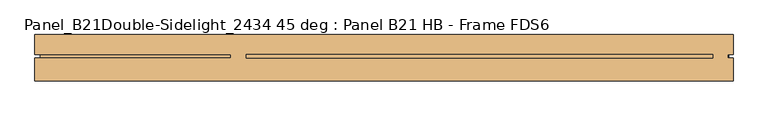
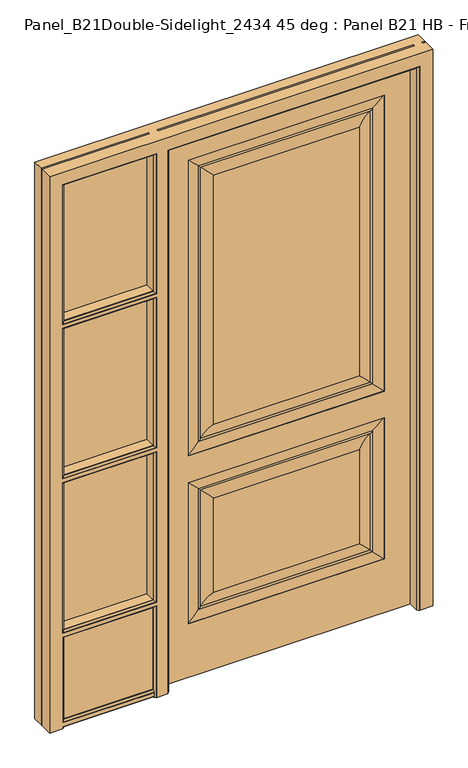
"""IFC4 building model written with IfcOpenShell, lengths in millimetres: door geometry, Panel_B21Double-Sidelight_2434 45 deg : Panel B21 HB - Frame FDS6."""

from ifc_helpers import new_model, si_unit, frame, origin, place, context, project, spatial, polyline, circle_curve, ellipse_curve, outline, extrude, source, transform, mapped, element, save
from ifc_brep_helpers import plane_surface, cylinder_surface, revolved_surface, advanced_brep


def panel_b21double_sidelight_2434_45_deg_panel_b21_hb_frame_6d8fb3b8(model_context):
    return source(origin(), model_context, "Body", "SolidModel", [
        advanced_brep(
        [(447.0, 0.0, 2035.8), (447.0, 44.45, 2035.8), (-447.0, 44.45, 2035.8), (-447.0, 0.0, 2035.8), (447.0, 0.0, 0.0), (-447.0, 0.0, 0.0), (-447.0, 44.45, 0.0), (447.0, 44.45, 0.0), (347.0, 0.0, 200.0), (-347.0, 0.0, 200.0), (-347.0, 0.0, 728.6), (347.0, 0.0, 728.6), (347.0, 0.0, 828.6), (-347.0, 0.0, 828.6), (-347.0, 0.0, 1935.8), (347.0, 0.0, 1935.8), (258.636302, 0.0, 640.236302), (-258.636302, 0.0, 640.236302), (-258.636302, 0.0, 288.363698), (258.636302, 0.0, 288.363698), (258.636302, 0.0, 1847.436302), (-258.636302, 0.0, 1847.436302), (-258.636302, 0.0, 916.963698), (258.636302, 0.0, 916.963698), (347.0, 1.0183566, 200.0), (347.0, 1.0183566, 728.6), (301.3336102, 6.6315511, 682.9336102), (301.3336102, 6.6315511, 245.6663898), (308.7657406, 4.9144196, 238.2342594), (308.7657406, 4.9144196, 690.3657406), (-347.0, 1.0183566, 200.0), (-301.3336102, 6.6315511, 245.6663898), (-308.7657406, 4.9144196, 238.2342594), (-347.0, 1.0183566, 728.6), (-301.3336102, 6.6315511, 682.9336102), (-308.7657406, 4.9144196, 690.3657406), (347.0, 1.0183566, 828.6), (347.0, 1.0183566, 1935.8), (301.3336102, 6.6315511, 1890.1336102), (301.3336102, 6.6315511, 874.2663898), (308.7657406, 4.9144196, 866.8342594), (308.7657406, 4.9144196, 1897.5657406), (-347.0, 1.0183566, 828.6), (-301.3336102, 6.6315511, 874.2663898), (-308.7657406, 4.9144196, 866.8342594), (-347.0, 1.0183566, 1935.8), (-301.3336102, 6.6315511, 1890.1336102), (-308.7657406, 4.9144196, 1897.5657406)],
        [
            (0, 1),
            (1, 2),
            (2, 3),
            (3, 0),
            (4, 5),
            (5, 6),
            (6, 7),
            (7, 4),
            (3, 5),
            (4, 0),
            (8, 9),
            (9, 10),
            (10, 11),
            (11, 8),
            (12, 13),
            (13, 14),
            (14, 15),
            (15, 12),
            (16, 17),
            (17, 18),
            (18, 19),
            (19, 16),
            (20, 21),
            (21, 22),
            (22, 23),
            (23, 20),
            (2, 6),
            (1, 7),
            (24, 8),
            (11, 25),
            (25, 24),
            (26, 16, ellipse_curve(frame((292.3362017, -76.2078428, 673.9362017), z_axis=(-0.7071067811865475, 0.0, 0.7071067811865475), x_axis=(0.7071067811865474, 0.0, 0.7071067811865476)), 117.8415763, 83.3265777)),
            (19, 27, ellipse_curve(frame((292.3362017, -76.2078428, 254.6637983), z_axis=(-0.7071067811865475, 0.0, -0.7071067811865475), x_axis=(-0.7071067811865474, 0.0, 0.7071067811865476)), 117.8415763, 83.3265777)),
            (27, 26),
            (27, 28, ellipse_curve(frame((305.2915169, 6.8197298, 241.7084831), z_axis=(0.7071067811865475, 0.0, 0.7071067811865475), x_axis=(0.7071067811865474, 0.0, -0.7071067811865476)), 5.6036483, 3.9623777)),
            (28, 29),
            (29, 26, ellipse_curve(frame((305.2915169, 6.8197298, 686.8915169), z_axis=(0.7071067811865475, 0.0, -0.7071067811865475), x_axis=(-0.7071067811865474, 0.0, -0.7071067811865476)), 5.6036483, 3.9623777)),
            (25, 29, ellipse_curve(frame((340.2777904, 124.6047169, 721.8777904), z_axis=(0.7071067811865475, 0.0, -0.7071067811865475), x_axis=(-0.7071067811865474, 0.0, -0.7071067811865476)), 175.0358624, 123.7690453)),
            (28, 24, ellipse_curve(frame((340.2777904, 124.6047169, 206.7222096), z_axis=(0.7071067811865475, 0.0, 0.7071067811865475), x_axis=(0.7071067811865474, 0.0, -0.7071067811865476)), 175.0358624, 123.7690453)),
            (30, 9),
            (24, 30),
            (18, 31, ellipse_curve(frame((-292.3362017, -76.2078428, 254.6637983), z_axis=(-0.7071067811865475, 0.0, 0.7071067811865475), x_axis=(0.7071067811865476, 0.0, 0.7071067811865474)), 117.8415763, 83.3265777)),
            (31, 27),
            (31, 32, ellipse_curve(frame((-305.2915169, 6.8197298, 241.7084831), z_axis=(0.7071067811865475, 0.0, -0.7071067811865475), x_axis=(-0.7071067811865476, 0.0, -0.7071067811865474)), 5.6036483, 3.9623777)),
            (32, 28),
            (32, 30, ellipse_curve(frame((-340.2777904, 124.6047169, 206.7222096), z_axis=(0.7071067811865475, 0.0, -0.7071067811865475), x_axis=(-0.7071067811865476, 0.0, -0.7071067811865474)), 175.0358624, 123.7690453)),
            (33, 10),
            (30, 33),
            (17, 34, ellipse_curve(frame((-292.3362017, -76.2078428, 673.9362017), z_axis=(0.7071067811865475, 0.0, 0.7071067811865475), x_axis=(0.7071067811865474, 0.0, -0.7071067811865476)), 117.8415763, 83.3265777)),
            (34, 31),
            (34, 35, ellipse_curve(frame((-305.2915169, 6.8197298, 686.8915169), z_axis=(-0.7071067811865475, 0.0, -0.7071067811865475), x_axis=(-0.7071067811865474, 0.0, 0.7071067811865476)), 5.6036483, 3.9623777)),
            (35, 32),
            (35, 33, ellipse_curve(frame((-340.2777904, 124.6047169, 721.8777904), z_axis=(-0.7071067811865475, 0.0, -0.7071067811865475), x_axis=(-0.7071067811865474, 0.0, 0.7071067811865476)), 175.0358624, 123.7690453)),
            (33, 25),
            (26, 34),
            (29, 35),
            (36, 12),
            (15, 37),
            (37, 36),
            (38, 20, ellipse_curve(frame((292.3362017, -76.2078428, 1881.1362017), z_axis=(-0.7071067811865475, 0.0, 0.7071067811865475), x_axis=(0.7071067811865474, 0.0, 0.7071067811865476)), 117.8415763, 83.3265777)),
            (23, 39, ellipse_curve(frame((292.3362017, -76.2078428, 883.2637983), z_axis=(-0.7071067811865475, 0.0, -0.7071067811865475), x_axis=(-0.7071067811865474, 0.0, 0.7071067811865476)), 117.8415763, 83.3265777)),
            (39, 38),
            (39, 40, ellipse_curve(frame((305.2915169, 6.8197298, 870.3084831), z_axis=(0.7071067811865475, 0.0, 0.7071067811865475), x_axis=(0.7071067811865474, 0.0, -0.7071067811865476)), 5.6036483, 3.9623777)),
            (40, 41),
            (41, 38, ellipse_curve(frame((305.2915169, 6.8197298, 1894.0915169), z_axis=(0.7071067811865475, 0.0, -0.7071067811865475), x_axis=(-0.7071067811865474, 0.0, -0.7071067811865476)), 5.6036483, 3.9623777)),
            (37, 41, ellipse_curve(frame((340.2777904, 124.6047169, 1929.0777904), z_axis=(0.7071067811865475, 0.0, -0.7071067811865475), x_axis=(-0.7071067811865474, 0.0, -0.7071067811865476)), 175.0358624, 123.7690453)),
            (40, 36, ellipse_curve(frame((340.2777904, 124.6047169, 835.3222096), z_axis=(0.7071067811865475, 0.0, 0.7071067811865475), x_axis=(0.7071067811865474, 0.0, -0.7071067811865476)), 175.0358624, 123.7690453)),
            (42, 13),
            (36, 42),
            (22, 43, ellipse_curve(frame((-292.3362017, -76.2078428, 883.2637983), z_axis=(-0.7071067811865475, 0.0, 0.7071067811865475), x_axis=(0.7071067811865476, 0.0, 0.7071067811865474)), 117.8415763, 83.3265777)),
            (43, 39),
            (43, 44, ellipse_curve(frame((-305.2915169, 6.8197298, 870.3084831), z_axis=(0.7071067811865475, 0.0, -0.7071067811865475), x_axis=(-0.7071067811865476, 0.0, -0.7071067811865474)), 5.6036483, 3.9623777)),
            (44, 40),
            (44, 42, ellipse_curve(frame((-340.2777904, 124.6047169, 835.3222096), z_axis=(0.7071067811865475, 0.0, -0.7071067811865475), x_axis=(-0.7071067811865476, 0.0, -0.7071067811865474)), 175.0358624, 123.7690453)),
            (45, 14),
            (42, 45),
            (21, 46, ellipse_curve(frame((-292.3362017, -76.2078428, 1881.1362017), z_axis=(0.7071067811865475, 0.0, 0.7071067811865475), x_axis=(0.7071067811865474, 0.0, -0.7071067811865476)), 117.8415763, 83.3265777)),
            (46, 43),
            (46, 47, ellipse_curve(frame((-305.2915169, 6.8197298, 1894.0915169), z_axis=(-0.7071067811865475, 0.0, -0.7071067811865475), x_axis=(-0.7071067811865474, 0.0, 0.7071067811865476)), 5.6036483, 3.9623777)),
            (47, 44),
            (47, 45, ellipse_curve(frame((-340.2777904, 124.6047169, 1929.0777904), z_axis=(-0.7071067811865475, 0.0, -0.7071067811865475), x_axis=(-0.7071067811865474, 0.0, 0.7071067811865476)), 175.0358624, 123.7690453)),
            (45, 37),
            (38, 46),
            (41, 47),
        ],
        [
            plane_surface(frame((-447.0, 0.0, 2035.8), z_axis=(0.0, 0.0, 1.0), x_axis=(-1.0, 0.0, 0.0))),
            plane_surface(frame((-447.0, 0.0, 0.0), z_axis=(0.0, 0.0, -1.0), x_axis=(1.0, 0.0, 0.0))),
            plane_surface(frame((447.0, 0.0, 2035.8), z_axis=(0.0, -1.0, 0.0), x_axis=(0.0, 0.0, -1.0))),
            plane_surface(frame((-447.0, 0.0, 2035.8), z_axis=(-1.0, 0.0, 0.0), x_axis=(0.0, 0.0, -1.0))),
            plane_surface(frame((-447.0, 44.45, 2035.8), z_axis=(0.0, 1.0, 0.0), x_axis=(0.0, 0.0, -1.0))),
            plane_surface(frame((447.0, 44.45, 2035.8), z_axis=(1.0, 0.0, 0.0), x_axis=(0.0, 0.0, -1.0))),
            plane_surface(frame((347.0, 1.0183566, 728.6), z_axis=(-1.0, 0.0, 0.0), x_axis=(0.0, 0.0, -1.0))),
            revolved_surface(polyline([(209.009624, -76.2078428, 757.2627794074419), (209.009624, -76.2078428, 171.33722059255808)]), (292.3362017, -76.2078428, 728.6), (0.0, 0.0, 1.0)),
            cylinder_surface(frame((305.2915169, 6.8197298, 728.6), z_axis=(0.0, 0.0, -1.0), x_axis=(-1.0, 0.0, 0.0)), 3.9623777),
            cylinder_surface(frame((340.2777904, 124.6047169, 728.6), z_axis=(0.0, 0.0, -1.0), x_axis=(-1.0, 0.0, 0.0)), 123.7690453),
            plane_surface(frame((347.0, 1.0183566, 200.0), z_axis=(0.0, 0.0, 1.0), x_axis=(-1.0, 0.0, 0.0))),
            revolved_surface(polyline([(375.6627794074419, -76.2078428, 337.99037599999997), (-375.6627794074419, -76.2078428, 337.99037599999997)]), (347.0, -76.2078428, 254.6637983), (1.0, 0.0, 0.0)),
            cylinder_surface(frame((347.0, 6.8197298, 241.7084831), z_axis=(-1.0, 0.0, 0.0), x_axis=(0.0, 0.0, 1.0)), 3.9623777),
            cylinder_surface(frame((347.0, 124.6047169, 206.7222096), z_axis=(-1.0, 0.0, 0.0), x_axis=(0.0, 0.0, 1.0)), 123.7690453),
            plane_surface(frame((-347.0, 1.0183566, 200.0), z_axis=(1.0, 0.0, 0.0), x_axis=(0.0, 0.0, 1.0))),
            revolved_surface(polyline([(-209.009624, -76.2078428, 171.33722059255808), (-209.009624, -76.2078428, 757.2627794074419)]), (-292.3362017, -76.2078428, 200.0), (0.0, 0.0, -1.0)),
            cylinder_surface(frame((-305.2915169, 6.8197298, 200.0), z_axis=(0.0, 0.0, 1.0), x_axis=(1.0, 0.0, 0.0)), 3.9623777),
            cylinder_surface(frame((-340.2777904, 124.6047169, 200.0), z_axis=(0.0, 0.0, 1.0), x_axis=(1.0, 0.0, 0.0)), 123.7690453),
            plane_surface(frame((-347.0, 1.0183566, 728.6), z_axis=(0.0, 0.0, -1.0), x_axis=(1.0, 0.0, 0.0))),
            revolved_surface(polyline([(-375.6627794074419, -76.2078428, 590.6096239999999), (375.6627794074419, -76.2078428, 590.6096239999999)]), (-347.0, -76.2078428, 673.9362017), (-1.0, 0.0, 0.0)),
            cylinder_surface(frame((-347.0, 6.8197298, 686.8915169), z_axis=(1.0, 0.0, 0.0), x_axis=(0.0, 0.0, -1.0)), 3.9623777),
            cylinder_surface(frame((-347.0, 124.6047169, 721.8777904), z_axis=(1.0, 0.0, 0.0), x_axis=(0.0, 0.0, -1.0)), 123.7690453),
            plane_surface(frame((347.0, 1.0183566, 1935.8), z_axis=(-1.0, 0.0, 0.0), x_axis=(0.0, 0.0, -1.0))),
            revolved_surface(polyline([(209.009624, -76.2078428, 1964.4627794074418), (209.009624, -76.2078428, 799.9372205925581)]), (292.3362017, -76.2078428, 1935.8), (0.0, 0.0, 1.0)),
            cylinder_surface(frame((305.2915169, 6.8197298, 1935.8), z_axis=(0.0, 0.0, -1.0), x_axis=(-1.0, 0.0, 0.0)), 3.9623777),
            cylinder_surface(frame((340.2777904, 124.6047169, 1935.8), z_axis=(0.0, 0.0, -1.0), x_axis=(-1.0, 0.0, 0.0)), 123.7690453),
            plane_surface(frame((347.0, 1.0183566, 828.6), z_axis=(0.0, 0.0, 1.0), x_axis=(-1.0, 0.0, 0.0))),
            revolved_surface(polyline([(375.6627794074419, -76.2078428, 966.590376), (-375.6627794074419, -76.2078428, 966.590376)]), (347.0, -76.2078428, 883.2637983), (1.0, 0.0, 0.0)),
            cylinder_surface(frame((347.0, 6.8197298, 870.3084831), z_axis=(-1.0, 0.0, 0.0), x_axis=(0.0, 0.0, 1.0)), 3.9623777),
            cylinder_surface(frame((347.0, 124.6047169, 835.3222096), z_axis=(-1.0, 0.0, 0.0), x_axis=(0.0, 0.0, 1.0)), 123.7690453),
            plane_surface(frame((-347.0, 1.0183566, 828.6), z_axis=(1.0, 0.0, 0.0), x_axis=(0.0, 0.0, 1.0))),
            revolved_surface(polyline([(-209.009624, -76.2078428, 799.937220592558), (-209.009624, -76.2078428, 1964.4627794074418)]), (-292.3362017, -76.2078428, 828.6), (0.0, 0.0, -1.0)),
            cylinder_surface(frame((-305.2915169, 6.8197298, 828.6), z_axis=(0.0, 0.0, 1.0), x_axis=(1.0, 0.0, 0.0)), 3.9623777),
            cylinder_surface(frame((-340.2777904, 124.6047169, 828.6), z_axis=(0.0, 0.0, 1.0), x_axis=(1.0, 0.0, 0.0)), 123.7690453),
            plane_surface(frame((-347.0, 1.0183566, 1935.8), z_axis=(0.0, 0.0, -1.0), x_axis=(1.0, 0.0, 0.0))),
            revolved_surface(polyline([(-375.6627794074419, -76.2078428, 1797.809624), (375.6627794074419, -76.2078428, 1797.809624)]), (-347.0, -76.2078428, 1881.1362017), (-1.0, 0.0, 0.0)),
            cylinder_surface(frame((-347.0, 6.8197298, 1894.0915169), z_axis=(1.0, 0.0, 0.0), x_axis=(0.0, 0.0, -1.0)), 3.9623777),
            cylinder_surface(frame((-347.0, 124.6047169, 1929.0777904), z_axis=(1.0, 0.0, 0.0), x_axis=(0.0, 0.0, -1.0)), 123.7690453),
        ],
        [
            (0, [[1, 2, 3, 4]]),
            (1, [[5, 6, 7, 8]]),
            (2, [[9, -5, 10, -4], [11, 12, 13, 14], [15, 16, 17, 18]]),
            (2, [[19, 20, 21, 22]]),
            (2, [[23, 24, 25, 26]]),
            (3, [[27, -6, -9, -3]]),
            (4, [[28, -7, -27, -2]]),
            (5, [[-10, -8, -28, -1]]),
            (6, [[29, -14, 30, 31]]),
            (7, [[32, -22, 33, 34]]),
            (8, [[35, 36, 37, -34]]),
            (9, [[38, -36, 39, -31]]),
            (10, [[40, -11, -29, 41]]),
            (11, [[-33, -21, 42, 43]]),
            (12, [[-43, 44, 45, -35]]),
            (13, [[-45, 46, -41, -39]]),
            (14, [[47, -12, -40, 48]]),
            (15, [[-42, -20, 49, 50]]),
            (16, [[-50, 51, 52, -44]]),
            (17, [[-52, 53, -48, -46]]),
            (18, [[-30, -13, -47, 54]]),
            (19, [[-49, -19, -32, 55]]),
            (20, [[56, -51, -55, -37]]),
            (21, [[-54, -53, -56, -38]]),
            (22, [[57, -18, 58, 59]]),
            (23, [[60, -26, 61, 62]]),
            (24, [[63, 64, 65, -62]]),
            (25, [[66, -64, 67, -59]]),
            (26, [[68, -15, -57, 69]]),
            (27, [[-61, -25, 70, 71]]),
            (28, [[-71, 72, 73, -63]]),
            (29, [[-73, 74, -69, -67]]),
            (30, [[75, -16, -68, 76]]),
            (31, [[-70, -24, 77, 78]]),
            (32, [[-78, 79, 80, -72]]),
            (33, [[-80, 81, -76, -74]]),
            (34, [[-58, -17, -75, 82]]),
            (35, [[-77, -23, -60, 83]]),
            (36, [[84, -79, -83, -65]]),
            (37, [[-82, -81, -84, -66]]),
        ],
    ),
        extrude(outline(polyline([(-825.0, 6.0), (-484.0, 6.0), (-484.0, 0.0), (-825.0, 0.0), (-825.0, 6.0)])), frame((0.0, 0.0, 926.8666667), z_axis=(0.0, 0.0, 1.0), x_axis=(1.0, 0.0, 0.0)), (0.0, 0.0, 1.0), 573.3333333),
        advanced_brep(
        [(-818.0, -45.0, 0.0), (-865.0, -45.0, 0.0), (-865.0, 0.0, 0.0), (-855.0, 0.0, 0.0), (-855.0, 6.0, 0.0), (-865.0, 6.0, 0.0), (-865.0, 45.0, 0.0), (-447.0, 45.0, 0.0), (-447.0, 6.0, 0.0), (-454.0, 6.0, 0.0), (-454.0, 0.0, 0.0), (-439.0, 0.0, 0.0), (-439.0, -37.0, 0.0), (-441.0, -37.0, 0.0), (-447.0, -43.0, 0.0), (-447.0, -45.0, 0.0), (-486.0, -45.0, 0.0), (-486.0, -43.0, 0.0), (-492.0, -37.0, 0.0), (-812.0, -37.0, 0.0), (-818.0, -43.0, 0.0), (-484.0, 6.0, 0.0), (-825.0, 6.0, 0.0), (-825.0, 0.0, 0.0), (-484.0, 0.0, 0.0), (-818.0, -43.0, 8.0), (-818.0, -45.0, 8.0), (-818.0, -45.0, 2035.8), (-818.0, -45.0, 1512.2), (-818.0, -43.0, 1512.2), (-818.0, -43.0, 2035.8), (-818.0, -45.0, 1498.2), (-818.0, -45.0, 934.6), (-818.0, -43.0, 934.6), (-818.0, -43.0, 1498.2), (-818.0, -45.0, 920.6), (-818.0, -45.0, 357.0), (-818.0, -43.0, 357.0), (-818.0, -43.0, 920.6), (-818.0, -45.0, 343.0), (-818.0, -45.0, 22.0), (-818.0, -43.0, 22.0), (-818.0, -43.0, 343.0), (-812.0, -37.0, 2.0), (-812.0, -37.0, 1518.2), (-812.0, -37.0, 2029.8), (-812.0, -37.0, 940.6), (-812.0, -37.0, 1492.2), (-812.0, -37.0, 363.0), (-812.0, -37.0, 914.6), (-812.0, -37.0, 28.0), (-812.0, -37.0, 337.0), (-492.0, -37.0, 337.0), (-494.0, -37.0, 28.0), (-494.0, -37.0, 2.0), (-810.0, -37.0, 335.0), (-494.0, -37.0, 335.0), (-494.0, -37.0, 30.0), (-810.0, -37.0, 30.0), (441.0, -37.0, 2029.8), (-441.0, -37.0, 2029.8), (-439.0, -37.0, 2027.8), (439.0, -37.0, 2027.8), (439.0, -37.0, 0.0), (441.0, -37.0, 0.0), (-492.0, -37.0, 1518.2), (-492.0, -37.0, 2029.8), (-494.0, -37.0, 2027.8), (-494.0, -37.0, 1520.2), (-810.0, -37.0, 1520.2), (-810.0, -37.0, 2027.8), (-492.0, -37.0, 940.6), (-492.0, -37.0, 1492.2), (-494.0, -37.0, 1490.2), (-494.0, -37.0, 942.6), (-810.0, -37.0, 942.6), (-810.0, -37.0, 1490.2), (-492.0, -37.0, 363.0), (-492.0, -37.0, 914.6), (-494.0, -37.0, 912.6), (-494.0, -37.0, 365.0), (-810.0, -37.0, 365.0), (-810.0, -37.0, 912.6), (-810.0, 0.0, 1520.2), (-810.0, 0.0, 2027.8), (-810.0, 0.0, 942.6), (-810.0, 0.0, 1490.2), (-810.0, 0.0, 365.0), (-810.0, 0.0, 912.6), (-810.0, 0.0, 30.0), (-810.0, 0.0, 335.0), (439.0, 0.0, 2027.8), (-439.0, 0.0, 2027.8), (-454.0, 0.0, 2042.8), (454.0, 0.0, 2042.8), (454.0, 0.0, 1510.2), (447.0, 0.0, 1510.2), (447.0, 0.0, 1500.2), (454.0, 0.0, 1500.2), (454.0, 0.0, 0.0), (439.0, 0.0, 0.0), (-825.0, 0.0, 2042.8), (-484.0, 0.0, 2042.8), (-494.0, 0.0, 335.0), (-494.0, 0.0, 30.0), (-494.0, 0.0, 20.0), (-818.0, 0.0, 20.0), (-818.0, 0.0, 10.0), (-494.0, 0.0, 10.0), (-494.0, 0.0, 1520.2), (-494.0, 0.0, 2027.8), (-494.0, 0.0, 942.6), (-494.0, 0.0, 1490.2), (-818.0, 0.0, 1500.2), (-486.0, 0.0, 1500.2), (-486.0, 0.0, 1510.2), (-818.0, 0.0, 1510.2), (-494.0, 0.0, 365.0), (-494.0, 0.0, 912.6), (-818.0, 0.0, 922.6), (-486.0, 0.0, 922.6), (-486.0, 0.0, 932.6), (-818.0, 0.0, 932.6), (-818.0, 0.0, 345.0), (-486.0, 0.0, 345.0), (-486.0, 0.0, 355.0), (-818.0, 0.0, 355.0), (-825.0, 6.0, 2042.8), (-484.0, 6.0, 2042.8), (-818.0, 6.0, 335.0), (-494.0, 6.0, 335.0), (-494.0, 6.0, 30.0), (-818.0, 6.0, 30.0), (-818.0, 6.0, 20.0), (-494.0, 6.0, 20.0), (-494.0, 6.0, 10.0), (-818.0, 6.0, 10.0), (-494.0, 6.0, 2035.8), (-494.0, 6.0, 1520.2), (-818.0, 6.0, 1520.2), (-818.0, 6.0, 2035.8), (-494.0, 6.0, 1490.2), (-494.0, 6.0, 942.6), (-818.0, 6.0, 942.6), (-818.0, 6.0, 1490.2), (-818.0, 6.0, 1510.2), (-486.0, 6.0, 1510.2), (-486.0, 6.0, 1500.2), (-818.0, 6.0, 1500.2), (-494.0, 6.0, 912.6), (-494.0, 6.0, 365.0), (-818.0, 6.0, 365.0), (-818.0, 6.0, 912.6), (-818.0, 6.0, 932.6), (-486.0, 6.0, 932.6), (-486.0, 6.0, 922.6), (-818.0, 6.0, 922.6), (-818.0, 6.0, 355.0), (-486.0, 6.0, 355.0), (-486.0, 6.0, 345.0), (-818.0, 6.0, 345.0), (454.0, 6.0, 0.0), (454.0, 6.0, 1500.2), (447.0, 6.0, 1500.2), (447.0, 6.0, 0.0), (454.0, 6.0, 1510.2), (454.0, 6.0, 2042.8), (-454.0, 6.0, 2042.8), (-447.0, 6.0, 2035.8), (447.0, 6.0, 2035.8), (447.0, 6.0, 1510.2), (-818.0, 45.0, 1520.2), (-818.0, 45.0, 2035.8), (-818.0, 45.0, 942.6), (-818.0, 45.0, 1490.2), (-818.0, 45.0, 365.0), (-818.0, 45.0, 912.6), (-818.0, 45.0, 30.0), (-818.0, 45.0, 335.0), (-865.0, 45.0, 2082.8), (494.0, 45.0, 2082.8), (494.0, 45.0, 0.0), (447.0, 45.0, 0.0), (447.0, 45.0, 2035.8), (-447.0, 45.0, 2035.8), (-494.0, 45.0, 365.0), (-494.0, 45.0, 912.6), (-494.0, 45.0, 942.6), (-494.0, 45.0, 1490.2), (-494.0, 45.0, 1520.2), (-494.0, 45.0, 2035.8), (-494.0, 45.0, 335.0), (-494.0, 45.0, 30.0), (-865.0, 6.0, 2082.8), (-855.0, 6.0, 2072.8), (-494.0, 6.0, 2072.8), (-484.0, 6.0, 2072.8), (-484.0, 6.0, 2082.8), (494.0, 6.0, 2082.8), (484.0, 6.0, 2082.8), (484.0, 6.0, 1520.2), (484.0, 6.0, 1510.2), (486.0, 6.0, 1510.2), (486.0, 6.0, 1500.2), (484.0, 6.0, 1500.2), (484.0, 6.0, 1490.2), (484.0, 6.0, 0.0), (494.0, 6.0, 0.0), (454.0, 6.0, 2072.8), (454.0, 6.0, 2082.8), (-454.0, 6.0, 2082.8), (-454.0, 6.0, 2072.8), (-447.0, 6.0, 2072.8), (447.0, 6.0, 2072.8), (-855.0, 0.0, 2072.8), (-865.0, 0.0, 2082.8), (-484.0, 0.0, 2082.8), (-484.0, 0.0, 2072.8), (-494.0, 0.0, 2072.8), (484.0, 0.0, 0.0), (484.0, 0.0, 1490.2), (484.0, 0.0, 1500.2), (486.0, 0.0, 1500.2), (486.0, 0.0, 1510.2), (484.0, 0.0, 1510.2), (484.0, 0.0, 1520.2), (484.0, 0.0, 2082.8), (494.0, 0.0, 2082.8), (494.0, 0.0, 0.0), (439.0, 0.0, 2072.8), (-439.0, 0.0, 2072.8), (-454.0, 0.0, 2072.8), (-454.0, 0.0, 2082.8), (454.0, 0.0, 2082.8), (454.0, 0.0, 2072.8), (-865.0, -45.0, 2082.8), (-494.0, -45.0, 8.0), (-494.0, -45.0, 22.0), (-486.0, -45.0, 343.0), (-447.0, -45.0, 2035.8), (447.0, -45.0, 2035.8), (447.0, -45.0, 0.0), (494.0, -45.0, 0.0), (494.0, -45.0, 2082.8), (-486.0, -45.0, 920.6), (-486.0, -45.0, 357.0), (-486.0, -45.0, 1498.2), (-486.0, -45.0, 934.6), (-486.0, -45.0, 2035.8), (-486.0, -45.0, 1512.2), (-486.0, -43.0, 2035.8), (-447.0, -43.0, 2035.8), (447.0, -43.0, 2035.8), (494.0, -37.0, 0.0), (447.0, -43.0, 0.0), (447.0, -43.0, 1512.2), (447.0, -43.0, 1498.2), (-486.0, -43.0, 343.0), (-486.0, -43.0, 1512.2), (-486.0, -43.0, 1498.2), (-486.0, -43.0, 934.6), (-486.0, -43.0, 920.6), (-486.0, -43.0, 357.0), (-494.0, -43.0, 8.0), (-494.0, -43.0, 22.0)],
        [
            (0, 1),
            (1, 2),
            (2, 3),
            (3, 4),
            (4, 5),
            (5, 6),
            (6, 7),
            (7, 8),
            (8, 9),
            (9, 10),
            (10, 11),
            (11, 12),
            (12, 13),
            (13, 14, circle_curve(frame((-447.0, -37.0, 0.0), z_axis=(0.0, 0.0, -1.0), x_axis=(0.0, 1.0, 0.0)), 6.0)),
            (14, 15),
            (15, 16),
            (16, 17),
            (17, 18, circle_curve(frame((-486.0, -37.0, 0.0), z_axis=(0.0, 0.0, -1.0), x_axis=(0.0, 1.0, 0.0)), 6.0)),
            (18, 19),
            (19, 20, circle_curve(frame((-818.0, -37.0, 0.0), z_axis=(0.0, 0.0, -1.0), x_axis=(0.0, 1.0, 0.0)), 6.0)),
            (20, 0),
            (21, 22),
            (22, 23),
            (23, 24),
            (24, 21),
            (20, 25),
            (25, 26),
            (26, 0),
            (27, 28),
            (28, 29),
            (29, 30),
            (30, 27),
            (31, 32),
            (32, 33),
            (33, 34),
            (34, 31),
            (35, 36),
            (36, 37),
            (37, 38),
            (38, 35),
            (39, 40),
            (40, 41),
            (41, 42),
            (42, 39),
            (19, 43),
            (43, 25, ellipse_curve(frame((-818.0, -37.0, 8.0), z_axis=(-0.7071067811865475, 0.0, -0.7071067811865475), x_axis=(0.7071067811865474, 0.0, -0.7071067811865476)), 8.4852814, 6.0)),
            (29, 44, ellipse_curve(frame((-818.0, -37.0, 1512.2), z_axis=(-0.7071067811865475, 0.0, 0.7071067811865475), x_axis=(-0.7071067811865474, 0.0, -0.7071067811865476)), 8.4852814, 6.0)),
            (44, 45),
            (45, 30, ellipse_curve(frame((-818.0, -37.0, 2035.8), z_axis=(-0.7071067811865475, 0.0, -0.7071067811865475), x_axis=(0.7071067811865474, 0.0, -0.7071067811865476)), 8.4852814, 6.0)),
            (33, 46, ellipse_curve(frame((-818.0, -37.0, 934.6), z_axis=(-0.7071067811865475, 0.0, 0.7071067811865475), x_axis=(-0.7071067811865474, 0.0, -0.7071067811865476)), 8.4852814, 6.0)),
            (46, 47),
            (47, 34, ellipse_curve(frame((-818.0, -37.0, 1498.2), z_axis=(-0.7071067811865475, 0.0, -0.7071067811865475), x_axis=(0.7071067811865474, 0.0, -0.7071067811865476)), 8.4852814, 6.0)),
            (37, 48, ellipse_curve(frame((-818.0, -37.0, 357.0), z_axis=(-0.7071067811865475, 0.0, 0.7071067811865475), x_axis=(-0.7071067811865474, 0.0, -0.7071067811865476)), 8.4852814, 6.0)),
            (48, 49),
            (49, 38, ellipse_curve(frame((-818.0, -37.0, 920.6), z_axis=(-0.7071067811865475, 0.0, -0.7071067811865475), x_axis=(0.7071067811865474, 0.0, -0.7071067811865476)), 8.4852814, 6.0)),
            (41, 50, ellipse_curve(frame((-818.0, -37.0, 22.0), z_axis=(-0.7071067811865475, 0.0, 0.7071067811865475), x_axis=(-0.7071067811865474, 0.0, -0.7071067811865476)), 8.4852814, 6.0)),
            (50, 51),
            (51, 42, ellipse_curve(frame((-818.0, -37.0, 343.0), z_axis=(-0.7071067811865475, 0.0, -0.7071067811865475), x_axis=(0.7071067811865474, 0.0, -0.7071067811865476)), 8.4852814, 6.0)),
            (18, 52),
            (52, 51),
            (50, 53),
            (53, 54),
            (54, 43),
            (55, 56),
            (56, 57),
            (57, 58),
            (58, 55),
            (59, 60),
            (60, 13),
            (12, 61),
            (61, 62),
            (62, 63),
            (63, 64),
            (64, 59),
            (44, 65),
            (65, 66),
            (66, 45),
            (67, 68),
            (68, 69),
            (69, 70),
            (70, 67),
            (46, 71),
            (71, 72),
            (72, 47),
            (73, 74),
            (74, 75),
            (75, 76),
            (76, 73),
            (48, 77),
            (77, 78),
            (78, 49),
            (79, 80),
            (80, 81),
            (81, 82),
            (82, 79),
            (69, 83),
            (83, 84),
            (84, 70),
            (75, 85),
            (85, 86),
            (86, 76),
            (81, 87),
            (87, 88),
            (88, 82),
            (58, 89),
            (89, 90),
            (90, 55),
            (91, 92),
            (92, 11),
            (10, 93),
            (93, 94),
            (94, 95),
            (95, 96),
            (96, 97),
            (97, 98),
            (98, 99),
            (99, 100),
            (100, 91),
            (101, 102),
            (102, 24),
            (23, 101),
            (103, 90),
            (89, 104),
            (104, 103),
            (105, 106),
            (106, 107),
            (107, 108),
            (108, 105),
            (83, 109),
            (109, 110),
            (110, 84),
            (85, 111),
            (111, 112),
            (112, 86),
            (113, 114),
            (114, 115),
            (115, 116),
            (116, 113),
            (87, 117),
            (117, 118),
            (118, 88),
            (119, 120),
            (120, 121),
            (121, 122),
            (122, 119),
            (123, 124),
            (124, 125),
            (125, 126),
            (126, 123),
            (22, 127),
            (127, 101),
            (21, 128),
            (128, 127),
            (129, 130),
            (130, 131),
            (131, 132),
            (132, 129),
            (133, 134),
            (134, 135),
            (135, 136),
            (136, 133),
            (137, 138),
            (138, 139),
            (139, 140),
            (140, 137),
            (141, 142),
            (142, 143),
            (143, 144),
            (144, 141),
            (145, 146),
            (146, 147),
            (147, 148),
            (148, 145),
            (149, 150),
            (150, 151),
            (151, 152),
            (152, 149),
            (153, 154),
            (154, 155),
            (155, 156),
            (156, 153),
            (157, 158),
            (158, 159),
            (159, 160),
            (160, 157),
            (161, 162),
            (162, 163),
            (163, 164),
            (164, 161),
            (165, 166),
            (166, 167),
            (167, 9),
            (8, 168),
            (168, 169),
            (169, 170),
            (170, 165),
            (139, 171),
            (171, 172),
            (172, 140),
            (143, 173),
            (173, 174),
            (174, 144),
            (151, 175),
            (175, 176),
            (176, 152),
            (132, 177),
            (177, 178),
            (178, 129),
            (6, 179),
            (179, 180),
            (180, 181),
            (181, 182),
            (182, 183),
            (183, 184),
            (184, 7),
            (175, 185),
            (185, 186),
            (186, 176),
            (173, 187),
            (187, 188),
            (188, 174),
            (171, 189),
            (189, 190),
            (190, 172),
            (191, 178),
            (177, 192),
            (192, 191),
            (5, 193),
            (193, 179),
            (4, 194),
            (194, 195),
            (195, 196),
            (196, 197),
            (197, 193),
            (198, 199),
            (199, 200),
            (200, 201),
            (201, 202),
            (202, 203),
            (203, 204),
            (204, 205),
            (205, 206),
            (206, 207),
            (207, 198),
            (208, 209),
            (209, 210),
            (210, 211),
            (211, 212),
            (212, 213),
            (213, 208),
            (3, 214),
            (214, 194),
            (2, 215),
            (215, 216),
            (216, 217),
            (217, 218),
            (218, 214),
            (219, 220),
            (220, 221),
            (221, 222),
            (222, 223),
            (223, 224),
            (224, 225),
            (225, 226),
            (226, 227),
            (227, 228),
            (228, 219),
            (229, 230),
            (230, 231),
            (231, 232),
            (232, 233),
            (233, 234),
            (234, 229),
            (1, 235),
            (235, 215),
            (26, 236),
            (236, 237),
            (237, 40),
            (39, 238),
            (238, 16),
            (15, 239),
            (239, 240),
            (240, 241),
            (241, 242),
            (242, 243),
            (243, 235),
            (244, 245),
            (245, 36),
            (35, 244),
            (246, 247),
            (247, 32),
            (31, 246),
            (248, 249),
            (249, 28),
            (27, 248),
            (30, 250),
            (250, 248),
            (239, 251),
            (251, 252),
            (252, 240),
            (66, 250, ellipse_curve(frame((-486.0, -37.0, 2035.8), z_axis=(-0.7071067811865476, 0.0, 0.7071067811865475), x_axis=(-0.7071067811865475, 0.0, -0.7071067811865476)), 8.4852814, 6.0)),
            (251, 60, ellipse_curve(frame((-447.0, -37.0, 2035.8), z_axis=(0.7071067811865475, 0.0, 0.7071067811865476), x_axis=(-0.7071067811865476, 0.0, 0.7071067811865475)), 8.4852814, 6.0)),
            (59, 252, ellipse_curve(frame((447.0, -37.0, 2035.8), z_axis=(-0.7071067811865475, 0.0, 0.7071067811865475), x_axis=(-0.7071067811865476, 0.0, -0.7071067811865474)), 8.4852814, 6.0)),
            (110, 67),
            (61, 92),
            (91, 62),
            (128, 102),
            (93, 167),
            (166, 94),
            (190, 137),
            (168, 184),
            (183, 169),
            (197, 216),
            (243, 227),
            (226, 199),
            (198, 180),
            (232, 210),
            (209, 233),
            (217, 196),
            (234, 208),
            (211, 231),
            (63, 100),
            (99, 161),
            (164, 182),
            (181, 207),
            (206, 219),
            (228, 253),
            (253, 242),
            (241, 254),
            (254, 64, circle_curve(frame((447.0, -37.0, 0.0), z_axis=(0.0, 0.0, -1.0), x_axis=(0.0, 1.0, 0.0)), 6.0)),
            (252, 255),
            (255, 256),
            (256, 254),
            (165, 95),
            (98, 162),
            (163, 97),
            (96, 170),
            (204, 221),
            (224, 201),
            (222, 203),
            (202, 223),
            (238, 257),
            (257, 17),
            (250, 258),
            (258, 249),
            (259, 260),
            (260, 247),
            (246, 259),
            (261, 262),
            (262, 245),
            (244, 261),
            (257, 52, ellipse_curve(frame((-486.0, -37.0, 343.0), z_axis=(0.7071067811865476, 0.0, -0.7071067811865475), x_axis=(0.7071067811865475, 0.0, 0.7071067811865475)), 8.4852814, 6.0)),
            (65, 258, ellipse_curve(frame((-486.0, -37.0, 1512.2), z_axis=(0.7071067811865475, 0.0, 0.7071067811865476), x_axis=(-0.7071067811865475, 0.0, 0.7071067811865475)), 8.4852814, 6.0)),
            (71, 260, ellipse_curve(frame((-486.0, -37.0, 934.6), z_axis=(0.7071067811865475, 0.0, 0.7071067811865476), x_axis=(-0.7071067811865475, 0.0, 0.7071067811865475)), 8.4852814, 6.0)),
            (259, 72, ellipse_curve(frame((-486.0, -37.0, 1498.2), z_axis=(0.7071067811865476, 0.0, -0.7071067811865475), x_axis=(0.7071067811865475, 0.0, 0.7071067811865475)), 8.4852814, 6.0)),
            (77, 262, ellipse_curve(frame((-486.0, -37.0, 357.0), z_axis=(0.7071067811865475, 0.0, 0.7071067811865476), x_axis=(-0.7071067811865475, 0.0, 0.7071067811865475)), 8.4852814, 6.0)),
            (261, 78, ellipse_curve(frame((-486.0, -37.0, 920.6), z_axis=(0.7071067811865476, 0.0, -0.7071067811865475), x_axis=(0.7071067811865475, 0.0, 0.7071067811865475)), 8.4852814, 6.0)),
            (109, 68),
            (111, 74),
            (73, 112),
            (117, 80),
            (79, 118),
            (104, 57),
            (56, 103),
            (189, 138),
            (187, 142),
            (141, 188),
            (185, 150),
            (149, 186),
            (192, 131),
            (130, 191),
            (251, 14),
            (116, 145),
            (148, 113),
            (114, 147),
            (146, 115),
            (34, 259),
            (29, 258),
            (122, 153),
            (156, 119),
            (120, 155),
            (154, 121),
            (38, 261),
            (33, 260),
            (126, 157),
            (160, 123),
            (124, 159),
            (158, 125),
            (42, 257),
            (37, 262),
            (106, 133),
            (136, 107),
            (236, 263),
            (263, 54, circle_curve(frame((-494.0, -37.0, 8.0), z_axis=(1.0, 0.0, 0.0), x_axis=(0.0, 1.0, 0.0)), 6.0)),
            (53, 264, circle_curve(frame((-494.0, -37.0, 22.0), z_axis=(1.0, 0.0, 0.0), x_axis=(0.0, 1.0, 0.0)), 6.0)),
            (264, 237),
            (108, 135),
            (134, 105),
            (25, 263),
            (41, 264),
        ],
        [
            plane_surface(frame((-865.0, 0.0, 0.0), z_axis=(0.0, 0.0, -1.0), x_axis=(0.0, 1.0, 0.0))),
            plane_surface(frame((-818.0, -45.0, 0.0), z_axis=(1.0, 0.0, 0.0), x_axis=(0.0, 0.0, 1.0))),
            cylinder_surface(frame((-818.0, -37.0, 0.0), z_axis=(0.0, 0.0, -1.0), x_axis=(0.0, 1.0, 0.0)), 6.0),
            plane_surface(frame((-812.0, -37.0, 0.0), z_axis=(0.0, -1.0, 0.0), x_axis=(0.0, 0.0, 1.0))),
            plane_surface(frame((-810.0, -37.0, 0.0), z_axis=(1.0, 0.0, 0.0), x_axis=(0.0, 0.0, 1.0))),
            plane_surface(frame((-810.0, 0.0, 0.0), z_axis=(0.0, 1.0, 0.0), x_axis=(0.0, 0.0, 1.0))),
            plane_surface(frame((-825.0, 0.0, 0.0), z_axis=(1.0, 0.0, 0.0), x_axis=(0.0, 0.0, 1.0))),
            plane_surface(frame((-825.0, 6.0, 0.0), z_axis=(0.0, -1.0, 0.0), x_axis=(0.0, 0.0, 1.0))),
            plane_surface(frame((-818.0, 6.0, 0.0), z_axis=(1.0, 0.0, 0.0), x_axis=(0.0, 0.0, 1.0))),
            plane_surface(frame((-818.0, 45.0, 0.0), z_axis=(0.0, 1.0, 0.0), x_axis=(0.0, 0.0, 1.0))),
            plane_surface(frame((-865.0, 45.0, 0.0), z_axis=(-1.0, 0.0, 0.0), x_axis=(0.0, 0.0, 1.0))),
            plane_surface(frame((-865.0, 6.0, 0.0), z_axis=(0.0, -1.0, 0.0), x_axis=(0.0, 0.0, 1.0))),
            plane_surface(frame((-855.0, 6.0, 0.0), z_axis=(-1.0, 0.0, 0.0), x_axis=(0.0, 0.0, 1.0))),
            plane_surface(frame((-855.0, 0.0, 0.0), z_axis=(0.0, 1.0, 0.0), x_axis=(0.0, 0.0, 1.0))),
            plane_surface(frame((-865.0, 0.0, 0.0), z_axis=(-1.0, 0.0, 0.0), x_axis=(0.0, 0.0, 1.0))),
            plane_surface(frame((-865.0, -45.0, 0.0), z_axis=(0.0, -1.0, 0.0), x_axis=(0.0, 0.0, 1.0))),
            plane_surface(frame((-818.0, -45.0, 2035.8), z_axis=(0.0, 0.0, -1.0), x_axis=(1.0, 0.0, 0.0))),
            cylinder_surface(frame((-865.0, -37.0, 2035.8), z_axis=(-1.0, 0.0, 0.0), x_axis=(0.0, 1.0, 0.0)), 6.0),
            plane_surface(frame((-810.0, -37.0, 2027.8), z_axis=(0.0, 0.0, -1.0), x_axis=(1.0, 0.0, 0.0))),
            plane_surface(frame((-825.0, 0.0, 2042.8), z_axis=(0.0, 0.0, -1.0), x_axis=(1.0, 0.0, 0.0))),
            plane_surface(frame((-818.0, 6.0, 2035.8), z_axis=(0.0, 0.0, -1.0), x_axis=(1.0, 0.0, 0.0))),
            plane_surface(frame((-865.0, 45.0, 2082.8), z_axis=(0.0, 0.0, 1.0), x_axis=(1.0, 0.0, 0.0))),
            plane_surface(frame((-855.0, 6.0, 2072.8), z_axis=(0.0, 0.0, 1.0), x_axis=(1.0, 0.0, 0.0))),
            plane_surface(frame((494.0, 0.0, 0.0), z_axis=(0.0, 0.0, -1.0), x_axis=(0.0, 1.0, 0.0))),
            plane_surface(frame((447.0, -45.0, 2035.8), z_axis=(-1.0, 0.0, 0.0), x_axis=(0.0, 0.0, -1.0))),
            cylinder_surface(frame((447.0, -37.0, 2082.8), z_axis=(0.0, 0.0, 1.0), x_axis=(0.0, 1.0, 0.0)), 6.0),
            plane_surface(frame((439.0, -37.0, 2027.8), z_axis=(-1.0, 0.0, 0.0), x_axis=(0.0, 0.0, -1.0))),
            plane_surface(frame((454.0, 0.0, 2042.8), z_axis=(-1.0, 0.0, 0.0), x_axis=(0.0, 0.0, -1.0))),
            plane_surface(frame((447.0, 6.0, 2035.8), z_axis=(-1.0, 0.0, 0.0), x_axis=(0.0, 0.0, -1.0))),
            plane_surface(frame((494.0, 45.0, 2082.8), z_axis=(1.0, 0.0, 0.0), x_axis=(0.0, 0.0, -1.0))),
            plane_surface(frame((484.0, 6.0, 2072.8), z_axis=(1.0, 0.0, 0.0), x_axis=(0.0, 0.0, -1.0))),
            plane_surface(frame((494.0, 0.0, 2082.8), z_axis=(1.0, 0.0, 0.0), x_axis=(0.0, 0.0, -1.0))),
            plane_surface(frame((454.0, 0.0, 2082.8), z_axis=(-1.0, 0.0, 0.0), x_axis=(0.0, 0.0, -1.0))),
            plane_surface(frame((486.0, 0.0, 1505.2), z_axis=(1.0, 0.0, 0.0), x_axis=(0.0, 1.0, 0.0))),
            plane_surface(frame((447.0, 0.0, 1500.2), z_axis=(0.0, 0.0, -1.0), x_axis=(1.0, 0.0, 0.0))),
            plane_surface(frame((447.0, 6.0, 1510.2), z_axis=(0.0, 0.0, 1.0), x_axis=(1.0, 0.0, 0.0))),
            plane_surface(frame((-486.0, -45.0, 2082.8), z_axis=(-1.0, 0.0, 0.0), x_axis=(0.0, 0.0, -1.0))),
            cylinder_surface(frame((-486.0, -37.0, 2082.8), z_axis=(0.0, 0.0, 1.0), x_axis=(0.0, 1.0, 0.0)), 6.0),
            plane_surface(frame((-494.0, -37.0, 2082.8), z_axis=(-1.0, 0.0, 0.0), x_axis=(0.0, 0.0, -1.0))),
            plane_surface(frame((-484.0, 0.0, 2082.8), z_axis=(-1.0, 0.0, 0.0), x_axis=(0.0, 0.0, -1.0))),
            plane_surface(frame((-494.0, 6.0, 2082.8), z_axis=(-1.0, 0.0, 0.0), x_axis=(0.0, 0.0, -1.0))),
            plane_surface(frame((-447.0, 45.0, 2082.8), z_axis=(1.0, 0.0, 0.0), x_axis=(0.0, 0.0, -1.0))),
            plane_surface(frame((-454.0, 6.0, 2082.8), z_axis=(1.0, 0.0, 0.0), x_axis=(0.0, 0.0, -1.0))),
            plane_surface(frame((-439.0, 0.0, 2082.8), z_axis=(1.0, 0.0, 0.0), x_axis=(0.0, 0.0, -1.0))),
            cylinder_surface(frame((-447.0, -37.0, 2082.8), z_axis=(0.0, 0.0, 1.0), x_axis=(0.0, 1.0, 0.0)), 6.0),
            plane_surface(frame((-447.0, -43.0, 2082.8), z_axis=(1.0, 0.0, 0.0), x_axis=(0.0, 0.0, -1.0))),
            plane_surface(frame((-818.0, 0.0, 1505.2), z_axis=(-1.0, 0.0, 0.0), x_axis=(0.0, -1.0, 0.0))),
            plane_surface(frame((-486.0, 0.0, 1505.2), z_axis=(1.0, 0.0, 0.0), x_axis=(0.0, -1.0, 0.0))),
            plane_surface(frame((-818.0, -45.0, 1498.2), z_axis=(0.0, 0.0, -1.0), x_axis=(1.0, 0.0, 0.0))),
            cylinder_surface(frame((-818.0, -37.0, 1498.2), z_axis=(-1.0, 0.0, 0.0), x_axis=(0.0, 1.0, 0.0)), 6.0),
            plane_surface(frame((-818.0, -37.0, 1490.2), z_axis=(0.0, 0.0, -1.0), x_axis=(1.0, 0.0, 0.0))),
            plane_surface(frame((-818.0, 0.0, 1500.2), z_axis=(0.0, 0.0, -1.0), x_axis=(1.0, 0.0, 0.0))),
            plane_surface(frame((-818.0, 6.0, 1490.2), z_axis=(0.0, 0.0, -1.0), x_axis=(1.0, 0.0, 0.0))),
            plane_surface(frame((-818.0, 45.0, 1520.2), z_axis=(0.0, 0.0, 1.0), x_axis=(1.0, 0.0, 0.0))),
            plane_surface(frame((-818.0, 6.0, 1510.2), z_axis=(0.0, 0.0, 1.0), x_axis=(1.0, 0.0, 0.0))),
            plane_surface(frame((-818.0, 0.0, 1520.2), z_axis=(0.0, 0.0, 1.0), x_axis=(1.0, 0.0, 0.0))),
            cylinder_surface(frame((-818.0, -37.0, 1512.2), z_axis=(-1.0, 0.0, 0.0), x_axis=(0.0, 1.0, 0.0)), 6.0),
            plane_surface(frame((-818.0, -43.0, 1512.2), z_axis=(0.0, 0.0, 1.0), x_axis=(1.0, 0.0, 0.0))),
            plane_surface(frame((-818.0, 0.0, 927.6), z_axis=(-1.0, 0.0, 0.0), x_axis=(0.0, -1.0, 0.0))),
            plane_surface(frame((-486.0, 0.0, 927.6), z_axis=(1.0, 0.0, 0.0), x_axis=(0.0, -1.0, 0.0))),
            plane_surface(frame((-818.0, -45.0, 920.6), z_axis=(0.0, 0.0, -1.0), x_axis=(1.0, 0.0, 0.0))),
            cylinder_surface(frame((-818.0, -37.0, 920.6), z_axis=(-1.0, 0.0, 0.0), x_axis=(0.0, 1.0, 0.0)), 6.0),
            plane_surface(frame((-818.0, -37.0, 912.6), z_axis=(0.0, 0.0, -1.0), x_axis=(1.0, 0.0, 0.0))),
            plane_surface(frame((-818.0, 0.0, 922.6), z_axis=(0.0, 0.0, -1.0), x_axis=(1.0, 0.0, 0.0))),
            plane_surface(frame((-818.0, 6.0, 912.6), z_axis=(0.0, 0.0, -1.0), x_axis=(1.0, 0.0, 0.0))),
            plane_surface(frame((-818.0, 45.0, 942.6), z_axis=(0.0, 0.0, 1.0), x_axis=(1.0, 0.0, 0.0))),
            plane_surface(frame((-818.0, 6.0, 932.6), z_axis=(0.0, 0.0, 1.0), x_axis=(1.0, 0.0, 0.0))),
            plane_surface(frame((-818.0, 0.0, 942.6), z_axis=(0.0, 0.0, 1.0), x_axis=(1.0, 0.0, 0.0))),
            cylinder_surface(frame((-818.0, -37.0, 934.6), z_axis=(-1.0, 0.0, 0.0), x_axis=(0.0, 1.0, 0.0)), 6.0),
            plane_surface(frame((-818.0, -43.0, 934.6), z_axis=(0.0, 0.0, 1.0), x_axis=(1.0, 0.0, 0.0))),
            plane_surface(frame((-818.0, 0.0, 350.0), z_axis=(-1.0, 0.0, 0.0), x_axis=(0.0, -1.0, 0.0))),
            plane_surface(frame((-486.0, 0.0, 350.0), z_axis=(1.0, 0.0, 0.0), x_axis=(0.0, -1.0, 0.0))),
            plane_surface(frame((-818.0, -45.0, 343.0), z_axis=(0.0, 0.0, -1.0), x_axis=(1.0, 0.0, 0.0))),
            cylinder_surface(frame((-818.0, -37.0, 343.0), z_axis=(-1.0, 0.0, 0.0), x_axis=(0.0, 1.0, 0.0)), 6.0),
            plane_surface(frame((-818.0, -37.0, 335.0), z_axis=(0.0, 0.0, -1.0), x_axis=(1.0, 0.0, 0.0))),
            plane_surface(frame((-818.0, 0.0, 345.0), z_axis=(0.0, 0.0, -1.0), x_axis=(1.0, 0.0, 0.0))),
            plane_surface(frame((-818.0, 6.0, 335.0), z_axis=(0.0, 0.0, -1.0), x_axis=(1.0, 0.0, 0.0))),
            plane_surface(frame((-818.0, 45.0, 365.0), z_axis=(0.0, 0.0, 1.0), x_axis=(1.0, 0.0, 0.0))),
            plane_surface(frame((-818.0, 6.0, 355.0), z_axis=(0.0, 0.0, 1.0), x_axis=(1.0, 0.0, 0.0))),
            plane_surface(frame((-818.0, 0.0, 365.0), z_axis=(0.0, 0.0, 1.0), x_axis=(1.0, 0.0, 0.0))),
            cylinder_surface(frame((-818.0, -37.0, 357.0), z_axis=(-1.0, 0.0, 0.0), x_axis=(0.0, 1.0, 0.0)), 6.0),
            plane_surface(frame((-818.0, -43.0, 357.0), z_axis=(0.0, 0.0, 1.0), x_axis=(1.0, 0.0, 0.0))),
            plane_surface(frame((-818.0, 0.0, 15.0), z_axis=(-1.0, 0.0, 0.0), x_axis=(0.0, -1.0, 0.0))),
            plane_surface(frame((-494.0, 0.0, 15.0), z_axis=(1.0, 0.0, 0.0), x_axis=(0.0, -1.0, 0.0))),
            plane_surface(frame((-818.0, -45.0, 8.0), z_axis=(0.0, 0.0, -1.0), x_axis=(1.0, 0.0, 0.0))),
            cylinder_surface(frame((-818.0, -37.0, 8.0), z_axis=(-1.0, 0.0, 0.0), x_axis=(0.0, 1.0, 0.0)), 6.0),
            plane_surface(frame((-818.0, 0.0, 10.0), z_axis=(0.0, 0.0, -1.0), x_axis=(1.0, 0.0, 0.0))),
            plane_surface(frame((-818.0, 45.0, 30.0), z_axis=(0.0, 0.0, 1.0), x_axis=(1.0, 0.0, 0.0))),
            plane_surface(frame((-818.0, 6.0, 20.0), z_axis=(0.0, 0.0, 1.0), x_axis=(1.0, 0.0, 0.0))),
            plane_surface(frame((-818.0, 0.0, 30.0), z_axis=(0.0, 0.0, 1.0), x_axis=(1.0, 0.0, 0.0))),
            cylinder_surface(frame((-818.0, -37.0, 22.0), z_axis=(-1.0, 0.0, 0.0), x_axis=(0.0, 1.0, 0.0)), 6.0),
            plane_surface(frame((-818.0, -43.0, 22.0), z_axis=(0.0, 0.0, 1.0), x_axis=(1.0, 0.0, 0.0))),
        ],
        [
            (0, [[1, 2, 3, 4, 5, 6, 7, 8, 9, 10, 11, 12, 13, 14, 15, 16, 17, 18, 19, 20, 21], [22, 23, 24, 25]]),
            (1, [[26, 27, 28, -21]]),
            (1, [[29, 30, 31, 32]]),
            (1, [[33, 34, 35, 36]]),
            (1, [[37, 38, 39, 40]]),
            (1, [[41, 42, 43, 44]]),
            (2, [[45, 46, -26, -20]]),
            (2, [[-31, 47, 48, 49]]),
            (2, [[-35, 50, 51, 52]]),
            (2, [[-39, 53, 54, 55]]),
            (2, [[-43, 56, 57, 58]]),
            (3, [[59, 60, -57, 61, 62, 63, -45, -19], [64, 65, 66, 67]]),
            (3, [[68, 69, -13, 70, 71, 72, 73, 74]]),
            (3, [[-48, 75, 76, 77], [78, 79, 80, 81]]),
            (3, [[-51, 82, 83, 84], [85, 86, 87, 88]]),
            (3, [[-54, 89, 90, 91], [92, 93, 94, 95]]),
            (4, [[-80, 96, 97, 98]]),
            (4, [[-87, 99, 100, 101]]),
            (4, [[-94, 102, 103, 104]]),
            (4, [[-67, 105, 106, 107]]),
            (5, [[108, 109, -11, 110, 111, 112, 113, 114, 115, 116, 117, 118]]),
            (5, [[119, 120, -24, 121], [122, -106, 123, 124], [125, 126, 127, 128], [-97, 129, 130, 131], [-100, 132, 133, 134], [135, 136, 137, 138], [-103, 139, 140, 141], [142, 143, 144, 145], [146, 147, 148, 149]]),
            (6, [[150, 151, -121, -23]]),
            (7, [[152, 153, -150, -22], [154, 155, 156, 157], [158, 159, 160, 161], [162, 163, 164, 165], [166, 167, 168, 169], [170, 171, 172, 173], [174, 175, 176, 177], [178, 179, 180, 181], [182, 183, 184, 185]]),
            (7, [[186, 187, 188, 189]]),
            (7, [[190, 191, 192, -9, 193, 194, 195, 196]]),
            (8, [[-164, 197, 198, 199]]),
            (8, [[-168, 200, 201, 202]]),
            (8, [[-176, 203, 204, 205]]),
            (8, [[-157, 206, 207, 208]]),
            (9, [[209, 210, 211, 212, 213, 214, 215, -7], [-204, 216, 217, 218], [-201, 219, 220, 221], [-198, 222, 223, 224], [225, -207, 226, 227]]),
            (10, [[228, 229, -209, -6]]),
            (11, [[230, 231, 232, 233, 234, -228, -5]]),
            (11, [[235, 236, 237, 238, 239, 240, 241, 242, 243, 244]]),
            (11, [[245, 246, 247, 248, 249, 250]]),
            (12, [[251, 252, -230, -4]]),
            (13, [[253, 254, 255, 256, 257, -251, -3]]),
            (13, [[258, 259, 260, 261, 262, 263, 264, 265, 266, 267]]),
            (13, [[268, 269, 270, 271, 272, 273]]),
            (14, [[274, 275, -253, -2]]),
            (15, [[-28, 276, 277, 278, -41, 279, 280, -16, 281, 282, 283, 284, 285, 286, -274, -1], [287, 288, -37, 289], [290, 291, -33, 292], [293, 294, -29, 295]]),
            (16, [[296, 297, -295, -32]]),
            (16, [[-282, 298, 299, 300]]),
            (17, [[-77, 301, -296, -49]]),
            (17, [[-299, 302, -68, 303]]),
            (18, [[-131, 304, -81, -98]]),
            (18, [[-71, 305, -108, 306]]),
            (19, [[-153, 307, -119, -151]]),
            (19, [[-111, 308, -191, 309]]),
            (20, [[-224, 310, -165, -199]]),
            (20, [[-194, 311, -214, 312]]),
            (21, [[-234, 313, -254, -275, -286, 314, -265, 315, -235, 316, -210, -229], [-271, 317, -246, 318]]),
            (22, [[-257, -256, 319, -232, -231, -252]]),
            (22, [[320, -250, -249, -248, 321, -269, -268, -273]]),
            (23, [[322, -117, 323, -189, 324, -212, 325, -243, 326, -267, 327, 328, -284, 329, 330, -73]]),
            (24, [[331, 332, 333, -329, -283, -300]]),
            (25, [[-330, -333, -332, -331, -303, -74]]),
            (26, [[-306, -118, -322, -72]]),
            (27, [[-190, 334, -112, -309]]),
            (27, [[-116, 335, -186, -323]]),
            (28, [[-213, -324, -188, 336, -114, 337, -195, -312]]),
            (29, [[-316, -244, -325, -211]]),
            (30, [[-242, -241, 338, -259, -258, -326]]),
            (30, [[-264, -263, 339, -237, -236, -315]]),
            (31, [[-314, -285, -328, -327, -266]]),
            (32, [[-245, -320, -272, -318]]),
            (33, [[-261, 340, -239, 341]]),
            (34, [[-187, -335, -115, -336]]),
            (34, [[-260, -338, -240, -340]]),
            (35, [[-113, -334, -196, -337]]),
            (35, [[-238, -339, -262, -341]]),
            (36, [[-280, 342, 343, -17]]),
            (36, [[344, 345, -293, -297]]),
            (36, [[346, 347, -290, 348]]),
            (36, [[349, 350, -287, 351]]),
            (37, [[-343, 352, -59, -18]]),
            (37, [[-76, 353, -344, -301]]),
            (37, [[-83, 354, -346, 355]]),
            (37, [[-90, 356, -349, 357]]),
            (38, [[-130, 358, -78, -304]]),
            (38, [[-133, 359, -85, 360]]),
            (38, [[-140, 361, -92, 362]]),
            (38, [[-124, 363, -65, 364]]),
            (39, [[-233, -319, -255, -313]]),
            (39, [[-120, -307, -152, -25]]),
            (40, [[-223, 365, -162, -310]]),
            (40, [[-220, 366, -166, 367]]),
            (40, [[-217, 368, -174, 369]]),
            (40, [[-227, 370, -155, 371]]),
            (41, [[-215, -311, -193, -8]]),
            (42, [[-270, -321, -247, -317]]),
            (42, [[-192, -308, -110, -10]]),
            (43, [[-109, -305, -70, -12]]),
            (44, [[-69, -302, 372, -14]]),
            (45, [[-372, -298, -281, -15]]),
            (46, [[-138, 373, -173, 374]]),
            (47, [[-136, 375, -171, 376]]),
            (48, [[-36, 377, -348, -292]]),
            (49, [[-52, -84, -355, -377]]),
            (50, [[-360, -88, -101, -134]]),
            (51, [[-172, -375, -135, -374]]),
            (52, [[-367, -169, -202, -221]]),
            (53, [[-197, -163, -365, -222]]),
            (54, [[-137, -376, -170, -373]]),
            (55, [[-96, -79, -358, -129]]),
            (56, [[-353, -75, -47, 378]]),
            (57, [[-345, -378, -30, -294]]),
            (58, [[-145, 379, -181, 380]]),
            (59, [[-143, 381, -179, 382]]),
            (60, [[-40, 383, -351, -289]]),
            (61, [[-55, -91, -357, -383]]),
            (62, [[-362, -95, -104, -141]]),
            (63, [[-180, -381, -142, -380]]),
            (64, [[-369, -177, -205, -218]]),
            (65, [[-200, -167, -366, -219]]),
            (66, [[-144, -382, -178, -379]]),
            (67, [[-99, -86, -359, -132]]),
            (68, [[-354, -82, -50, 384]]),
            (69, [[-347, -384, -34, -291]]),
            (70, [[-149, 385, -185, 386]]),
            (71, [[-147, 387, -183, 388]]),
            (72, [[-44, 389, -342, -279]]),
            (73, [[-58, -60, -352, -389]]),
            (74, [[-364, -64, -107, -122]]),
            (75, [[-184, -387, -146, -386]]),
            (76, [[-371, -154, -208, -225]]),
            (77, [[-203, -175, -368, -216]]),
            (78, [[-148, -388, -182, -385]]),
            (79, [[-102, -93, -361, -139]]),
            (80, [[-356, -89, -53, 390]]),
            (81, [[-350, -390, -38, -288]]),
            (82, [[-126, 391, -161, 392]]),
            (83, [[-277, 393, 394, -62, 395, 396]]),
            (83, [[-128, 397, -159, 398]]),
            (84, [[-276, -27, 399, -393]]),
            (85, [[-399, -46, -63, -394]]),
            (86, [[-160, -397, -127, -392]]),
            (87, [[-206, -156, -370, -226]]),
            (88, [[-398, -158, -391, -125]]),
            (89, [[-363, -123, -105, -66]]),
            (90, [[-56, 400, -395, -61]]),
            (91, [[-400, -42, -278, -396]]),
        ],
    ),
        extrude(outline(polyline([(-825.0, 6.0), (-484.0, 6.0), (-484.0, 0.0), (-825.0, 0.0), (-825.0, 6.0)])), frame((0.0, 0.0, 1504.4666667), z_axis=(0.0, 0.0, 1.0), x_axis=(1.0, 0.0, 0.0)), (0.0, 0.0, 1.0), 538.3333333),
        extrude(outline(polyline([(-825.0, 6.0), (-484.0, 6.0), (-484.0, 0.0), (-825.0, 0.0), (-825.0, 6.0)])), frame((0.0, 0.0, 349.2666667), z_axis=(0.0, 0.0, 1.0), x_axis=(1.0, 0.0, 0.0)), (0.0, 0.0, 1.0), 573.3333333),
        extrude(outline(polyline([(-37.0, 30.0), (-37.0, 335.0), (0.0, 335.0), (0.0, 345.0), (6.0, 345.0), (6.0, 335.0), (44.0, 335.0), (44.0, 30.0), (6.0, 30.0), (6.0, 20.0), (0.0, 20.0), (0.0, 30.0), (-37.0, 30.0)])), frame((-818.0, 0.0, 0.0), z_axis=(1.0, 0.0, 0.0), x_axis=(0.0, 1.0, 0.0)), (0.0, 0.0, 1.0), 332.0),
    ])


if __name__ == "__main__":
    model = new_model("IFC4")
    model_context = context("Model", 3, world=origin())
    ifc_project = project(units=[si_unit("LENGTHUNIT", "METRE", prefix="MILLI")], contexts=[model_context])
    site = spatial("IfcSite", under=ifc_project)
    building = spatial("IfcBuilding", under=site)
    placement = place(None, origin())
    panel_b21double_sidelight_2434_45_deg_panel_b21_hb_frame_shape = panel_b21double_sidelight_2434_45_deg_panel_b21_hb_frame_6d8fb3b8(model_context)
    element("IfcDoor", 1, ObjectType="Panel_B21Double-Sidelight_2434 45 deg : Panel B21 HB - Frame FDS6", at=placement, inside=building, context=model_context, shape_type="MappedRepresentation", body=[
        mapped(panel_b21double_sidelight_2434_45_deg_panel_b21_hb_frame_shape, transform((0.0, 0.0, 0.0), x_axis=(1.0, 0.0, 0.0), y_axis=(0.0, 1.0, 0.0), z_axis=(0.0, 0.0, 1.0))),
    ])
    save(model, "model.ifc")
